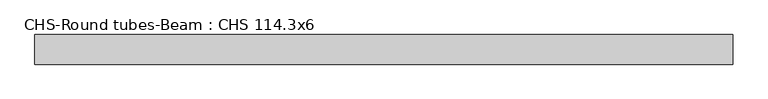
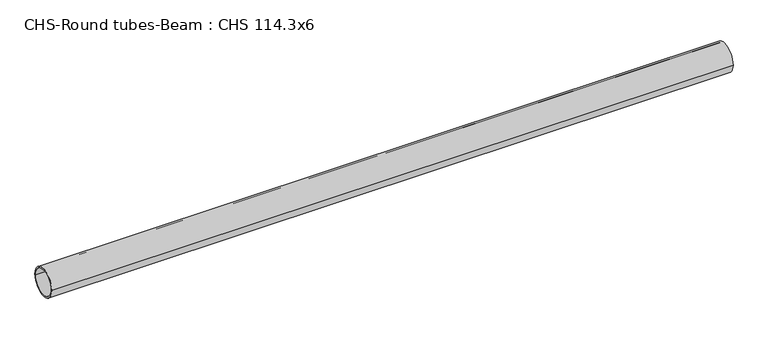
"""IFC4 building model written with IfcOpenShell, lengths in millimetres: beam geometry, CHS-Round tubes-Beam : CHS 114.3x6."""

from ifc_helpers import new_model, si_unit, point, frame, origin, origin_2d, place, context, project, spatial, circle_curve, trimmed, segment, composite_curve, outline, extrude, source, transform, mapped, element, save


def chs_round_tubes_beam_chs_114_3x6_b8cef568(model_context):
    return source(origin(), model_context, "Body", "SweptSolid", [
        extrude(outline(composite_curve([segment(trimmed(circle_curve(origin_2d(), 57.15), [point((57.15, 0.0))], [point((-57.15, 0.0))], False, "CARTESIAN"), True, "CONTINUOUS"), segment(trimmed(circle_curve(origin_2d(), 57.15), [point((-57.15, 0.0))], [point((57.15, 0.0))], False, "CARTESIAN"), True, "CONTINUOUS")], self_intersect=False), holes=[composite_curve([segment(trimmed(circle_curve(origin_2d(), 51.15), [point((51.15, 0.0))], [point((-51.15, 0.0))], True, "CARTESIAN"), True, "CONTINUOUS"), segment(trimmed(circle_curve(origin_2d(), 51.15), [point((-51.15, 0.0))], [point((51.15, 0.0))], True, "CARTESIAN"), True, "CONTINUOUS")], self_intersect=False)]), frame((-1293.6587984, 0.0, 0.0), z_axis=(1.0, 0.0, 0.0), x_axis=(0.0, 1.0, 0.0)), (0.0, 0.0, 1.0), 2691.5452373),
    ])


if __name__ == "__main__":
    model = new_model("IFC4")
    model_context = context("Model", 3, world=origin())
    ifc_project = project(units=[si_unit("LENGTHUNIT", "METRE", prefix="MILLI")], contexts=[model_context])
    site = spatial("IfcSite", under=ifc_project)
    building = spatial("IfcBuilding", under=site)
    placement = place(None, origin())
    chs_round_tubes_beam_chs_114_3x6_shape = chs_round_tubes_beam_chs_114_3x6_b8cef568(model_context)
    element("IfcBeam", 1, ObjectType="CHS-Round tubes-Beam : CHS 114.3x6", at=placement, inside=building, context=model_context, shape_type="MappedRepresentation", body=[
        mapped(chs_round_tubes_beam_chs_114_3x6_shape, transform((0.0, 0.0, 0.0), x_axis=(1.0, 0.0, 0.0), y_axis=(0.0, 1.0, 0.0), z_axis=(0.0, 0.0, 1.0))),
    ])
    save(model, "model.ifc")
